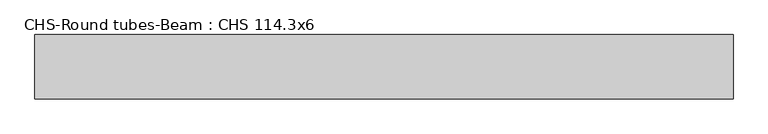
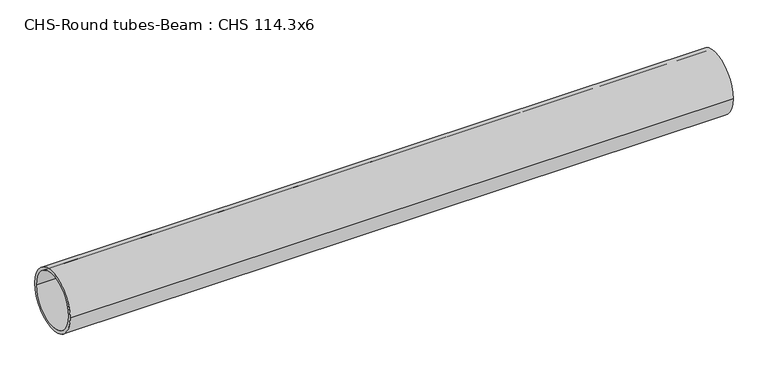
"""IFC4 building model written with IfcOpenShell, lengths in millimetres: beam geometry, CHS-Round tubes-Beam : CHS 114.3x6."""

from ifc_helpers import new_model, si_unit, point, frame, origin, origin_2d, place, context, project, spatial, circle_curve, trimmed, segment, composite_curve, outline, extrude, source, transform, mapped, element, save


def chs_round_tubes_beam_chs_114_3x6_754a6620(model_context):
    return source(origin(), model_context, "Body", "SweptSolid", [
        extrude(outline(composite_curve([segment(trimmed(circle_curve(origin_2d(), 57.15), [point((57.15, 0.0))], [point((-57.15, 0.0))], False, "CARTESIAN"), True, "CONTINUOUS"), segment(trimmed(circle_curve(origin_2d(), 57.15), [point((-57.15, 0.0))], [point((57.15, 0.0))], False, "CARTESIAN"), True, "CONTINUOUS")], self_intersect=False), holes=[composite_curve([segment(trimmed(circle_curve(origin_2d(), 51.15), [point((51.15, 0.0))], [point((-51.15, 0.0))], True, "CARTESIAN"), True, "CONTINUOUS"), segment(trimmed(circle_curve(origin_2d(), 51.15), [point((-51.15, 0.0))], [point((51.15, 0.0))], True, "CARTESIAN"), True, "CONTINUOUS")], self_intersect=False)]), frame((-620.4597546, 0.0, 0.0), z_axis=(1.0, 0.0, 0.0), x_axis=(0.0, 1.0, 0.0)), (0.0, 0.0, 1.0), 1240.9175449),
    ])


if __name__ == "__main__":
    model = new_model("IFC4")
    model_context = context("Model", 3, world=origin())
    ifc_project = project(units=[si_unit("LENGTHUNIT", "METRE", prefix="MILLI")], contexts=[model_context])
    site = spatial("IfcSite", under=ifc_project)
    building = spatial("IfcBuilding", under=site)
    placement = place(None, origin())
    chs_round_tubes_beam_chs_114_3x6_shape = chs_round_tubes_beam_chs_114_3x6_754a6620(model_context)
    element("IfcBeam", 1, ObjectType="CHS-Round tubes-Beam : CHS 114.3x6", at=placement, inside=building, context=model_context, shape_type="MappedRepresentation", body=[
        mapped(chs_round_tubes_beam_chs_114_3x6_shape, transform((0.0, 0.0, 0.0), x_axis=(1.0, 0.0, 0.0), y_axis=(0.0, 1.0, 0.0), z_axis=(0.0, 0.0, 1.0))),
    ])
    save(model, "model.ifc")
